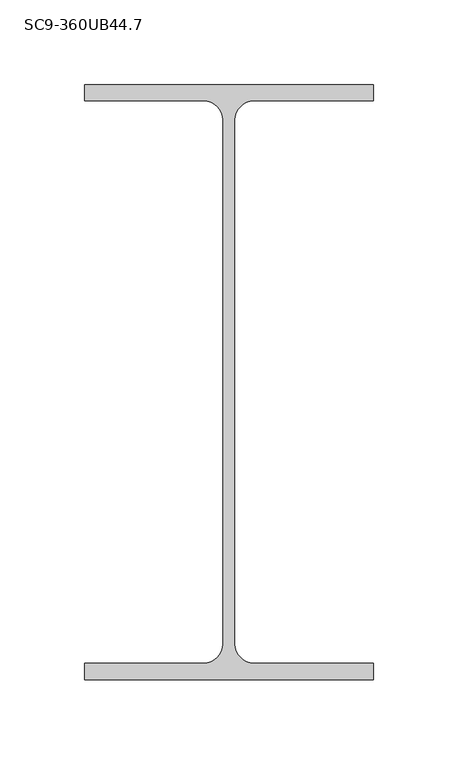
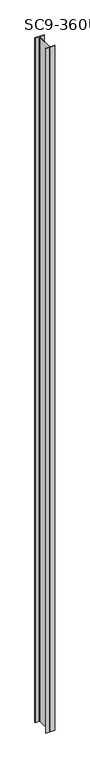
"""IFC4 building model written with IfcOpenShell, lengths in millimetres: column geometry, SC9-360UB44.7."""

from ifc_helpers import new_model, si_unit, point, frame, frame_2d, origin, place, context, project, spatial, polyline, circle_curve, trimmed, segment, composite_curve, outline, extrude, source, transform, mapped, element, save


def sc9_360ub44_7_5d41b74e(model_context):
    return source(origin(), model_context, "Body", "SweptSolid", [
        extrude(outline(composite_curve([segment(polyline([(85.5, 176.0), (85.5, 166.3), (14.85, 166.3)]), True, "CONTINUOUS"), segment(trimmed(circle_curve(frame_2d((14.85, 154.9)), 11.4), [point((14.85, 166.3))], [point((3.45, 154.9))], True, "CARTESIAN"), True, "CONTINUOUS"), segment(polyline([(3.45, 154.9), (3.45, -154.9)]), True, "CONTINUOUS"), segment(trimmed(circle_curve(frame_2d((14.85, -154.9)), 11.4), [point((3.45, -154.9))], [point((14.85, -166.3))], True, "CARTESIAN"), True, "CONTINUOUS"), segment(polyline([(14.85, -166.3), (85.5, -166.3), (85.5, -176.0), (-85.5, -176.0), (-85.5, -166.3), (-14.85, -166.3)]), True, "CONTINUOUS"), segment(trimmed(circle_curve(frame_2d((-14.85, -154.9)), 11.4), [point((-14.85, -166.3))], [point((-3.45, -154.9))], True, "CARTESIAN"), True, "CONTINUOUS"), segment(polyline([(-3.45, -154.9), (-3.45, 154.9)]), True, "CONTINUOUS"), segment(trimmed(circle_curve(frame_2d((-14.85, 154.9)), 11.4), [point((-3.45, 154.9))], [point((-14.85, 166.3))], True, "CARTESIAN"), True, "CONTINUOUS"), segment(polyline([(-14.85, 166.3), (-85.5, 166.3), (-85.5, 176.0), (85.5, 176.0)]), True, "CONTINUOUS")], self_intersect=False)), frame((0.0, 0.0, 46800.0), z_axis=(0.0, 0.0, 1.0), x_axis=(1.0, 0.0, 0.0)), (0.0, 0.0, 1.0), 13477.0),
    ])


if __name__ == "__main__":
    model = new_model("IFC4")
    model_context = context("Model", 3, world=origin())
    ifc_project = project(units=[si_unit("LENGTHUNIT", "METRE", prefix="MILLI")], contexts=[model_context])
    site = spatial("IfcSite", under=ifc_project)
    building = spatial("IfcBuilding", under=site)
    placement = place(None, origin())
    sc9_360ub44_7_shape = sc9_360ub44_7_5d41b74e(model_context)
    element("IfcColumn", 1, ObjectType="SC9-360UB44.7", at=placement, inside=building, context=model_context, shape_type="MappedRepresentation", body=[
        mapped(sc9_360ub44_7_shape, transform((0.0, 0.0, 0.0), x_axis=(1.0, 0.0, 0.0), y_axis=(0.0, 1.0, 0.0), z_axis=(0.0, 0.0, 1.0))),
    ])
    save(model, "model.ifc")
